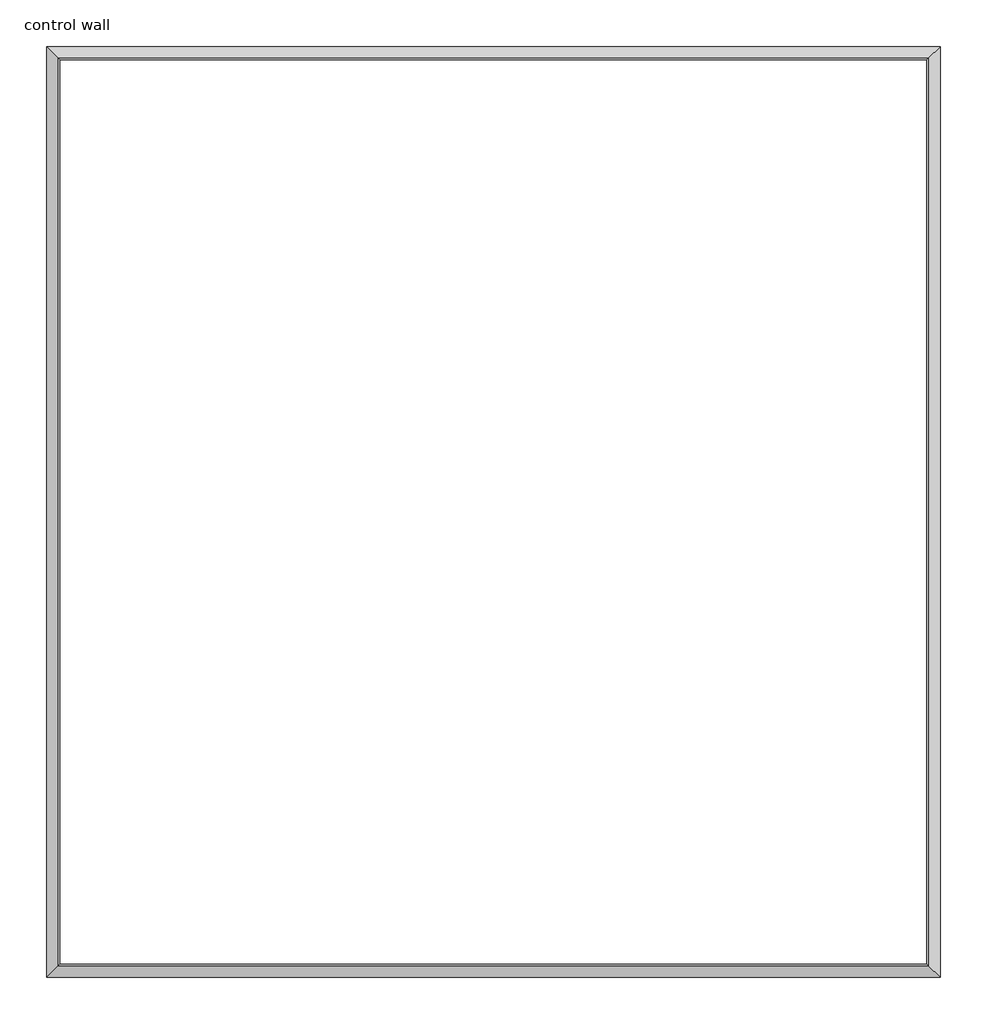
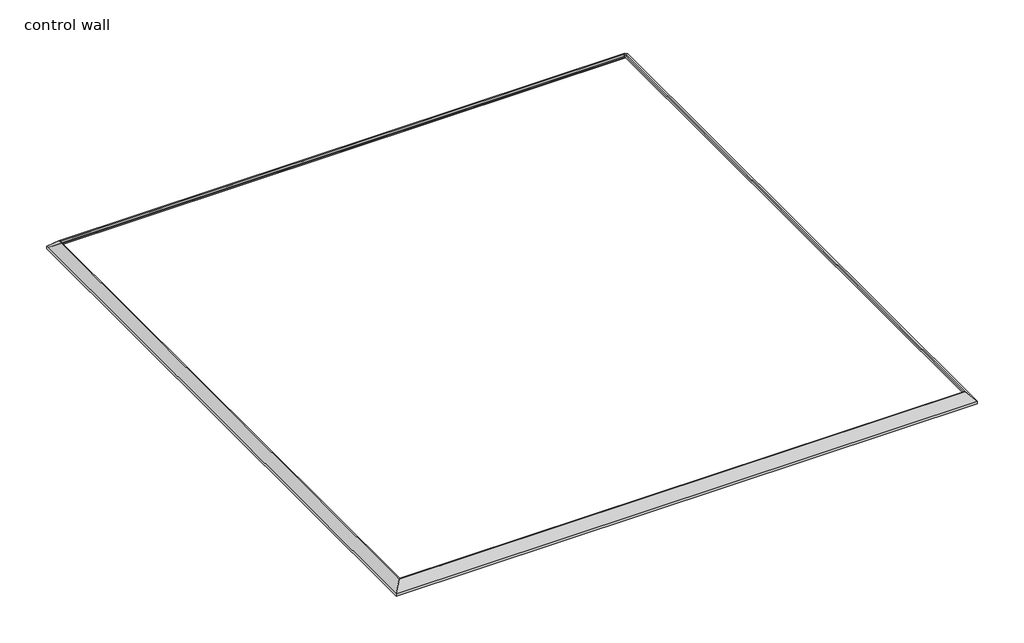
# One storey: 4 proxies.
"""IFC4 building model written with IfcOpenShell, lengths in millimetres."""

from ifc_helpers import new_model, si_unit, frame, origin, place, context, project, spatial, polyline, ellipse_curve, element, save
from ifc_brep_helpers import plane_surface, cylinder_surface, revolved_surface, advanced_brep

model = new_model("IFC4")

# Units and contexts
model_context = context("Model", 3, world=origin())
ifc_project = project(units=[si_unit("LENGTHUNIT", "METRE", prefix="MILLI")], contexts=[model_context])

# Site, building, storey
site = spatial("IfcSite", under=ifc_project)
building = spatial("IfcBuilding", under=site)
storey = spatial("IfcBuildingStorey", under=building, Name="control wall", Elevation=2133.6)

# Proxies
placement = place(None, origin())
element("IfcBuildingElementProxy", 1, Name="Wall Sweeps", at=placement, inside=storey, context=model_context, shape_type="AdvancedBrep", body=[
    advanced_brep(
    [(18334.9680587, -12422.2206911, 2982.9793892), (18334.9680587, -12422.2206911, 2959.1), (18343.9483148, -12431.2009472, 2959.1), (18343.9483148, -12431.2009472, 2968.0802561), (18357.418699, -12444.6713314, 2981.5506403), (18357.418699, -12444.6713314, 2987.9006403), (18377.9433788, -12465.1960113, 3008.4253202), (18398.4680587, -12485.7206911, 3028.95), (18408.0913675, -12495.3439999, 3028.95), (18408.0913675, -12495.3439999, 3048.0), (18399.9886695, -12487.241302, 3048.0), (23262.5680587, -12422.2206911, 2982.9793892), (23197.5474479, -12487.241302, 3048.0), (23189.4447499, -12495.3439999, 3048.0), (23189.4447499, -12495.3439999, 3028.95), (23199.0680587, -12485.7206911, 3028.95), (23219.5927385, -12465.1960113, 3008.4253202), (23240.1174184, -12444.6713314, 2987.9006403), (23240.1174184, -12444.6713314, 2981.5506403), (23253.5878026, -12431.2009472, 2968.0802561), (23253.5878026, -12431.2009472, 2959.1), (23262.5680587, -12422.2206911, 2959.1)],
    [
        (0, 1),
        (1, 2),
        (2, 3),
        (3, 4, ellipse_curve(frame((18357.418699, -12444.6713314, 2968.0802561), z_axis=(0.7071067811865476, 0.7071067811865476, 0.0), x_axis=(0.7071067811865474, -0.7071067811865476, 0.0)), 19.05, 13.4703842)),
        (4, 5),
        (5, 6, ellipse_curve(frame((18357.418699, -12444.6713314, 3008.4253202), z_axis=(-0.7071067811865476, -0.7071067811865476, 0.0), x_axis=(-0.7071067811865474, 0.7071067811865476, 0.0)), 29.0262806, 20.5246798)),
        (6, 7, ellipse_curve(frame((18398.4680587, -12485.7206911, 3008.4253202), z_axis=(0.7071067811865476, 0.7071067811865476, 0.0), x_axis=(0.7071067811865474, -0.7071067811865476, 0.0)), 29.0262806, 20.5246798)),
        (7, 8),
        (8, 9),
        (9, 10),
        (10, 0),
        (11, 12),
        (12, 13),
        (13, 14),
        (14, 15),
        (15, 16, ellipse_curve(frame((23199.0680587, -12485.7206911, 3008.4253202), z_axis=(-0.707106781186544, 0.7071067811865511, 0.0), x_axis=(0.7071067811865509, 0.7071067811865441, 0.0)), 29.0262806, 20.5246798)),
        (16, 17, ellipse_curve(frame((23240.1174184, -12444.6713314, 3008.4253202), z_axis=(0.707106781186544, -0.7071067811865511, 0.0), x_axis=(-0.7071067811865509, -0.7071067811865441, 0.0)), 29.0262806, 20.5246798)),
        (17, 18),
        (18, 19, ellipse_curve(frame((23240.1174184, -12444.6713314, 2968.0802561), z_axis=(-0.707106781186544, 0.7071067811865511, 0.0), x_axis=(0.7071067811865509, 0.7071067811865441, 0.0)), 19.05, 13.4703842)),
        (19, 20),
        (20, 21),
        (21, 11),
        (0, 11),
        (21, 1),
        (9, 13),
        (12, 10),
        (20, 2),
        (19, 3),
        (18, 4),
        (17, 5),
        (16, 6),
        (15, 7),
        (14, 8),
    ],
    [
        plane_surface(frame((18334.9680587, -12422.2206911, 3263.9), z_axis=(-0.7071067811865476, -0.7071067811865476, 0.0), x_axis=(0.7071067811865476, -0.7071067811865476, 0.0))),
        plane_surface(frame((23262.5680587, -12422.2206911, 3263.9), z_axis=(0.707106781186544, -0.7071067811865511, 0.0), x_axis=(-0.7071067811865511, -0.707106781186544, 0.0))),
        plane_surface(frame((18334.9680587, -12422.2206911, 2982.9793892), z_axis=(0.0, 1.0, 0.0), x_axis=(1.0, 0.0, 0.0))),
        plane_surface(frame((18408.0913675, -12495.3439999, 3048.0), z_axis=(0.0, 0.0, 1.0), x_axis=(1.0, 0.0, 0.0))),
        plane_surface(frame((18334.9680587, -12422.2206911, 2959.1), z_axis=(0.0, 0.0, -1.0), x_axis=(1.0, 0.0, 0.0))),
        plane_surface(frame((18343.9483148, -12431.2009472, 2959.1), z_axis=(0.0, -1.0, 0.0), x_axis=(1.0, 0.0, 0.0))),
        revolved_surface(polyline([(23253.5878026, -12458.1417156, 2968.0802561), (18343.9483148, -12458.1417156, 2968.0802561)]), (18334.9680587, -12444.6713314, 2968.0802561), (1.0, 0.0, 0.0)),
        plane_surface(frame((18357.418699, -12444.6713314, 2981.5506403), z_axis=(0.0, -1.0, 0.0), x_axis=(1.0, 0.0, 0.0))),
        cylinder_surface(frame((18334.9680587, -12444.6713314, 3008.4253202), z_axis=(-1.0, 0.0, 0.0), x_axis=(0.0, -1.0, 0.0)), 20.5246798),
        revolved_surface(polyline([(23219.59273854488, -12506.2453709, 3008.4253202), (18377.9433788, -12506.2453709, 3008.4253202)]), (18334.9680587, -12485.7206911, 3008.4253202), (1.0, 0.0, 0.0)),
        plane_surface(frame((18398.4680587, -12485.7206911, 3028.95), z_axis=(0.0, 0.0, -1.0), x_axis=(1.0, 0.0, 0.0))),
        plane_surface(frame((18408.0913675, -12495.3439999, 3028.95), z_axis=(0.0, -1.0, 0.0), x_axis=(1.0, 0.0, 0.0))),
        plane_surface(frame((18399.9886695, -12487.241302, 3048.0), z_axis=(0.0, 0.707106781186547, 0.707106781186548), x_axis=(1.0, 0.0, 0.0))),
    ],
    [
        (0, [[1, 2, 3, 4, 5, 6, 7, 8, 9, 10, 11]]),
        (1, [[12, 13, 14, 15, 16, 17, 18, 19, 20, 21, 22]]),
        (2, [[-1, 23, -22, 24]]),
        (3, [[-10, 25, -13, 26]]),
        (4, [[-2, -24, -21, 27]]),
        (5, [[-3, -27, -20, 28]]),
        (6, [[-4, -28, -19, 29]]),
        (7, [[-5, -29, -18, 30]]),
        (8, [[-6, -30, -17, 31]]),
        (9, [[-7, -31, -16, 32]]),
        (10, [[-8, -32, -15, 33]]),
        (11, [[-9, -33, -14, -25]]),
        (12, [[-11, -26, -12, -23]]),
    ],
),
])
element("IfcBuildingElementProxy", 2, Name="Wall Sweeps", at=placement, inside=storey, context=model_context, shape_type="AdvancedBrep", body=[
    advanced_brep(
    [(18334.9680587, -17553.0206911, 2982.9793892), (18334.9680587, -17553.0206911, 2959.1), (18343.9483148, -17544.040435, 2959.1), (18343.9483148, -17544.040435, 2968.0802561), (18357.418699, -17530.5700508, 2981.5506403), (18357.418699, -17530.5700508, 2987.9006403), (18377.9433788, -17510.045371, 3008.4253202), (18398.4680587, -17489.5206911, 3028.95), (18408.0913675, -17479.8973823, 3028.95), (18408.0913675, -17479.8973823, 3048.0), (18399.9886695, -17488.0000803, 3048.0), (18334.9680587, -12422.2206911, 2982.9793892), (18399.9886695, -12487.241302, 3048.0), (18408.0913675, -12495.3439999, 3048.0), (18408.0913675, -12495.3439999, 3028.95), (18398.4680587, -12485.7206911, 3028.95), (18377.9433788, -12465.1960113, 3008.4253202), (18357.418699, -12444.6713314, 2987.9006403), (18357.418699, -12444.6713314, 2981.5506403), (18343.9483148, -12431.2009472, 2968.0802561), (18343.9483148, -12431.2009472, 2959.1), (18334.9680587, -12422.2206911, 2959.1)],
    [
        (0, 1),
        (1, 2),
        (2, 3),
        (3, 4, ellipse_curve(frame((18357.418699, -17530.5700508, 2968.0802561), z_axis=(-0.7071067811865476, 0.7071067811865476, 0.0), x_axis=(0.7071067811865476, 0.7071067811865474, 0.0)), 19.05, 13.4703842)),
        (4, 5),
        (5, 6, ellipse_curve(frame((18357.418699, -17530.5700508, 3008.4253202), z_axis=(0.7071067811865476, -0.7071067811865476, 0.0), x_axis=(-0.7071067811865476, -0.7071067811865474, 0.0)), 29.0262806, 20.5246798)),
        (6, 7, ellipse_curve(frame((18398.4680587, -17489.5206911, 3008.4253202), z_axis=(-0.7071067811865476, 0.7071067811865476, 0.0), x_axis=(0.7071067811865476, 0.7071067811865474, 0.0)), 29.0262806, 20.5246798)),
        (7, 8),
        (8, 9),
        (9, 10),
        (10, 0),
        (11, 12),
        (12, 13),
        (13, 14),
        (14, 15),
        (15, 16, ellipse_curve(frame((18398.4680587, -12485.7206911, 3008.4253202), z_axis=(-0.7071067811865476, -0.7071067811865476, 0.0), x_axis=(-0.7071067811865476, 0.7071067811865474, 0.0)), 29.0262806, 20.5246798)),
        (16, 17, ellipse_curve(frame((18357.418699, -12444.6713314, 3008.4253202), z_axis=(0.7071067811865476, 0.7071067811865476, 0.0), x_axis=(0.7071067811865476, -0.7071067811865474, 0.0)), 29.0262806, 20.5246798)),
        (17, 18),
        (18, 19, ellipse_curve(frame((18357.418699, -12444.6713314, 2968.0802561), z_axis=(-0.7071067811865476, -0.7071067811865476, 0.0), x_axis=(-0.7071067811865476, 0.7071067811865474, 0.0)), 19.05, 13.4703842)),
        (19, 20),
        (20, 21),
        (21, 11),
        (0, 11),
        (21, 1),
        (9, 13),
        (12, 10),
        (20, 2),
        (19, 3),
        (18, 4),
        (17, 5),
        (16, 6),
        (15, 7),
        (14, 8),
    ],
    [
        plane_surface(frame((18334.9680587, -17553.0206911, 3263.9), z_axis=(0.7071067811865476, -0.7071067811865476, 0.0), x_axis=(0.7071067811865476, 0.7071067811865476, 0.0))),
        plane_surface(frame((18334.9680587, -12422.2206911, 3263.9), z_axis=(0.7071067811865476, 0.7071067811865476, 0.0), x_axis=(0.7071067811865476, -0.7071067811865476, 0.0))),
        plane_surface(frame((18334.9680587, -17553.0206911, 2982.9793892), z_axis=(-1.0, 0.0, 0.0), x_axis=(0.0, 1.0, 0.0))),
        plane_surface(frame((18408.0913675, -17479.8973823, 3048.0), z_axis=(0.0, 0.0, 1.0), x_axis=(0.0, 1.0, 0.0))),
        plane_surface(frame((18334.9680587, -17553.0206911, 2959.1), z_axis=(0.0, 0.0, -1.0), x_axis=(0.0, 1.0, 0.0))),
        plane_surface(frame((18343.9483148, -17544.040435, 2959.1), z_axis=(1.0, 0.0, 0.0), x_axis=(0.0, 1.0, 0.0))),
        revolved_surface(polyline([(18370.889083200003, -12431.2009472, 2968.0802561), (18370.889083200003, -17544.040435, 2968.0802561)]), (18357.418699, -17553.0206911, 2968.0802561), (0.0, 1.0, 0.0)),
        plane_surface(frame((18357.418699, -17530.5700508, 2981.5506403), z_axis=(1.0, 0.0, 0.0), x_axis=(0.0, 1.0, 0.0))),
        cylinder_surface(frame((18357.418699, -17553.0206911, 3008.4253202), z_axis=(0.0, -1.0, 0.0), x_axis=(1.0, 0.0, 0.0)), 20.5246798),
        revolved_surface(polyline([(18418.9927385, -12465.196011255117, 3008.4253202), (18418.9927385, -17510.045371, 3008.4253202)]), (18398.4680587, -17553.0206911, 3008.4253202), (0.0, 1.0, 0.0)),
        plane_surface(frame((18398.4680587, -17489.5206911, 3028.95), z_axis=(0.0, 0.0, -1.0), x_axis=(0.0, 1.0, 0.0))),
        plane_surface(frame((18408.0913675, -17479.8973823, 3028.95), z_axis=(1.0, 0.0, 0.0), x_axis=(0.0, 1.0, 0.0))),
        plane_surface(frame((18399.9886695, -17488.0000803, 3048.0), z_axis=(-0.707106781186547, 0.0, 0.707106781186548), x_axis=(0.0, 1.0, 0.0))),
    ],
    [
        (0, [[1, 2, 3, 4, 5, 6, 7, 8, 9, 10, 11]]),
        (1, [[12, 13, 14, 15, 16, 17, 18, 19, 20, 21, 22]]),
        (2, [[-1, 23, -22, 24]]),
        (3, [[-10, 25, -13, 26]]),
        (4, [[-2, -24, -21, 27]]),
        (5, [[-3, -27, -20, 28]]),
        (6, [[-4, -28, -19, 29]]),
        (7, [[-5, -29, -18, 30]]),
        (8, [[-6, -30, -17, 31]]),
        (9, [[-7, -31, -16, 32]]),
        (10, [[-8, -32, -15, 33]]),
        (11, [[-9, -33, -14, -25]]),
        (12, [[-11, -26, -12, -23]]),
    ],
),
])
element("IfcBuildingElementProxy", 3, Name="Wall Sweeps", at=placement, inside=storey, context=model_context, shape_type="AdvancedBrep", body=[
    advanced_brep(
    [(23262.5680587, -17553.0206911, 2982.9793892), (23262.5680587, -17553.0206911, 2959.1), (23253.5878026, -17544.040435, 2959.1), (23253.5878026, -17544.040435, 2968.0802561), (23240.1174184, -17530.5700508, 2981.5506403), (23240.1174184, -17530.5700508, 2987.9006403), (23219.5927385, -17510.045371, 3008.4253202), (23199.0680587, -17489.5206911, 3028.95), (23189.4447499, -17479.8973823, 3028.95), (23189.4447499, -17479.8973823, 3048.0), (23197.5474479, -17488.0000803, 3048.0), (18334.9680587, -17553.0206911, 2982.9793892), (18399.9886695, -17488.0000803, 3048.0), (18408.0913675, -17479.8973823, 3048.0), (18408.0913675, -17479.8973823, 3028.95), (18398.4680587, -17489.5206911, 3028.95), (18377.9433788, -17510.045371, 3008.4253202), (18357.418699, -17530.5700508, 2987.9006403), (18357.418699, -17530.5700508, 2981.5506403), (18343.9483148, -17544.040435, 2968.0802561), (18343.9483148, -17544.040435, 2959.1), (18334.9680587, -17553.0206911, 2959.1)],
    [
        (0, 1),
        (1, 2),
        (2, 3),
        (3, 4, ellipse_curve(frame((23240.1174184, -17530.5700508, 2968.0802561), z_axis=(-0.707106781186544, -0.7071067811865511, 0.0), x_axis=(-0.7071067811865509, 0.7071067811865441, 0.0)), 19.05, 13.4703842)),
        (4, 5),
        (5, 6, ellipse_curve(frame((23240.1174184, -17530.5700508, 3008.4253202), z_axis=(0.707106781186544, 0.7071067811865511, 0.0), x_axis=(0.7071067811865509, -0.7071067811865441, 0.0)), 29.0262806, 20.5246798)),
        (6, 7, ellipse_curve(frame((23199.0680587, -17489.5206911, 3008.4253202), z_axis=(-0.707106781186544, -0.7071067811865511, 0.0), x_axis=(-0.7071067811865509, 0.7071067811865441, 0.0)), 29.0262806, 20.5246798)),
        (7, 8),
        (8, 9),
        (9, 10),
        (10, 0),
        (11, 12),
        (12, 13),
        (13, 14),
        (14, 15),
        (15, 16, ellipse_curve(frame((18398.4680587, -17489.5206911, 3008.4253202), z_axis=(0.7071067811865476, -0.7071067811865476, 0.0), x_axis=(-0.7071067811865474, -0.7071067811865476, 0.0)), 29.0262806, 20.5246798)),
        (16, 17, ellipse_curve(frame((18357.418699, -17530.5700508, 3008.4253202), z_axis=(-0.7071067811865476, 0.7071067811865476, 0.0), x_axis=(0.7071067811865474, 0.7071067811865476, 0.0)), 29.0262806, 20.5246798)),
        (17, 18),
        (18, 19, ellipse_curve(frame((18357.418699, -17530.5700508, 2968.0802561), z_axis=(0.7071067811865476, -0.7071067811865476, 0.0), x_axis=(-0.7071067811865474, -0.7071067811865476, 0.0)), 19.05, 13.4703842)),
        (19, 20),
        (20, 21),
        (21, 11),
        (0, 11),
        (21, 1),
        (9, 13),
        (12, 10),
        (20, 2),
        (19, 3),
        (18, 4),
        (17, 5),
        (16, 6),
        (15, 7),
        (14, 8),
    ],
    [
        plane_surface(frame((23262.5680587, -17553.0206911, 3263.9), z_axis=(0.707106781186544, 0.7071067811865511, 0.0), x_axis=(-0.7071067811865511, 0.707106781186544, 0.0))),
        plane_surface(frame((18334.9680587, -17553.0206911, 3263.9), z_axis=(-0.7071067811865476, 0.7071067811865476, 0.0), x_axis=(0.7071067811865476, 0.7071067811865476, 0.0))),
        plane_surface(frame((23262.5680587, -17553.0206911, 2982.9793892), z_axis=(0.0, -1.0, 0.0), x_axis=(-1.0, 0.0, 0.0))),
        plane_surface(frame((23189.4447499, -17479.8973823, 3048.0), z_axis=(0.0, 0.0, 1.0), x_axis=(-1.0, 0.0, 0.0))),
        plane_surface(frame((23262.5680587, -17553.0206911, 2959.1), z_axis=(0.0, 0.0, -1.0), x_axis=(-1.0, 0.0, 0.0))),
        plane_surface(frame((23253.5878026, -17544.040435, 2959.1), z_axis=(0.0, 1.0, 0.0), x_axis=(-1.0, 0.0, 0.0))),
        revolved_surface(polyline([(18343.9483148, -17517.0996666, 2968.0802561), (23253.5878026, -17517.0996666, 2968.0802561)]), (23262.5680587, -17530.5700508, 2968.0802561), (-1.0, 0.0, 0.0)),
        plane_surface(frame((23240.1174184, -17530.5700508, 2981.5506403), z_axis=(0.0, 1.0, 0.0), x_axis=(-1.0, 0.0, 0.0))),
        cylinder_surface(frame((23262.5680587, -17530.5700508, 3008.4253202), z_axis=(1.0, 0.0, 0.0), x_axis=(0.0, 1.0, 0.0)), 20.5246798),
        revolved_surface(polyline([(18377.9433788, -17468.996011299998, 3008.4253202), (23219.59273854488, -17468.996011299998, 3008.4253202)]), (23262.5680587, -17489.5206911, 3008.4253202), (-1.0, 0.0, 0.0)),
        plane_surface(frame((23199.0680587, -17489.5206911, 3028.95), z_axis=(0.0, 0.0, -1.0), x_axis=(-1.0, 0.0, 0.0))),
        plane_surface(frame((23189.4447499, -17479.8973823, 3028.95), z_axis=(0.0, 1.0, 0.0), x_axis=(-1.0, 0.0, 0.0))),
        plane_surface(frame((23197.5474479, -17488.0000803, 3048.0), z_axis=(0.0, -0.707106781186547, 0.707106781186548), x_axis=(-1.0, 0.0, 0.0))),
    ],
    [
        (0, [[1, 2, 3, 4, 5, 6, 7, 8, 9, 10, 11]]),
        (1, [[12, 13, 14, 15, 16, 17, 18, 19, 20, 21, 22]]),
        (2, [[-1, 23, -22, 24]]),
        (3, [[-10, 25, -13, 26]]),
        (4, [[-2, -24, -21, 27]]),
        (5, [[-3, -27, -20, 28]]),
        (6, [[-4, -28, -19, 29]]),
        (7, [[-5, -29, -18, 30]]),
        (8, [[-6, -30, -17, 31]]),
        (9, [[-7, -31, -16, 32]]),
        (10, [[-8, -32, -15, 33]]),
        (11, [[-9, -33, -14, -25]]),
        (12, [[-11, -26, -12, -23]]),
    ],
),
])
element("IfcBuildingElementProxy", 4, Name="Wall Sweeps", at=placement, inside=storey, context=model_context, shape_type="AdvancedBrep", body=[
    advanced_brep(
    [(23262.5680587, -12422.2206911, 2982.9793892), (23262.5680587, -12422.2206911, 2959.1), (23253.5878026, -12431.2009472, 2959.1), (23253.5878026, -12431.2009472, 2968.0802561), (23240.1174184, -12444.6713314, 2981.5506403), (23240.1174184, -12444.6713314, 2987.9006403), (23219.5927385, -12465.1960113, 3008.4253202), (23199.0680587, -12485.7206911, 3028.95), (23189.4447499, -12495.3439999, 3028.95), (23189.4447499, -12495.3439999, 3048.0), (23197.5474479, -12487.241302, 3048.0), (23262.5680587, -17553.0206911, 2982.9793892), (23197.5474479, -17488.0000803, 3048.0), (23189.4447499, -17479.8973823, 3048.0), (23189.4447499, -17479.8973823, 3028.95), (23199.0680587, -17489.5206911, 3028.95), (23219.5927385, -17510.045371, 3008.4253202), (23240.1174184, -17530.5700508, 2987.9006403), (23240.1174184, -17530.5700508, 2981.5506403), (23253.5878026, -17544.040435, 2968.0802561), (23253.5878026, -17544.040435, 2959.1), (23262.5680587, -17553.0206911, 2959.1)],
    [
        (0, 1),
        (1, 2),
        (2, 3),
        (3, 4, ellipse_curve(frame((23240.1174184, -12444.6713314, 2968.0802561), z_axis=(0.707106781186544, -0.7071067811865511, 0.0), x_axis=(-0.7071067811865511, -0.7071067811865438, 0.0)), 19.05, 13.4703842)),
        (4, 5),
        (5, 6, ellipse_curve(frame((23240.1174184, -12444.6713314, 3008.4253202), z_axis=(-0.707106781186544, 0.7071067811865511, 0.0), x_axis=(0.7071067811865511, 0.7071067811865438, 0.0)), 29.0262806, 20.5246798)),
        (6, 7, ellipse_curve(frame((23199.0680587, -12485.7206911, 3008.4253202), z_axis=(0.707106781186544, -0.7071067811865511, 0.0), x_axis=(-0.7071067811865511, -0.7071067811865438, 0.0)), 29.0262806, 20.5246798)),
        (7, 8),
        (8, 9),
        (9, 10),
        (10, 0),
        (11, 12),
        (12, 13),
        (13, 14),
        (14, 15),
        (15, 16, ellipse_curve(frame((23199.0680587, -17489.5206911, 3008.4253202), z_axis=(0.707106781186544, 0.7071067811865511, 0.0), x_axis=(0.7071067811865511, -0.7071067811865438, 0.0)), 29.0262806, 20.5246798)),
        (16, 17, ellipse_curve(frame((23240.1174184, -17530.5700508, 3008.4253202), z_axis=(-0.707106781186544, -0.7071067811865511, 0.0), x_axis=(-0.7071067811865511, 0.7071067811865438, 0.0)), 29.0262806, 20.5246798)),
        (17, 18),
        (18, 19, ellipse_curve(frame((23240.1174184, -17530.5700508, 2968.0802561), z_axis=(0.707106781186544, 0.7071067811865511, 0.0), x_axis=(0.7071067811865511, -0.7071067811865438, 0.0)), 19.05, 13.4703842)),
        (19, 20),
        (20, 21),
        (21, 11),
        (0, 11),
        (21, 1),
        (9, 13),
        (12, 10),
        (20, 2),
        (19, 3),
        (18, 4),
        (17, 5),
        (16, 6),
        (15, 7),
        (14, 8),
    ],
    [
        plane_surface(frame((23262.5680587, -12422.2206911, 3263.9), z_axis=(-0.707106781186544, 0.7071067811865511, 0.0), x_axis=(-0.7071067811865511, -0.707106781186544, 0.0))),
        plane_surface(frame((23262.5680587, -17553.0206911, 3263.9), z_axis=(-0.707106781186544, -0.7071067811865511, 0.0), x_axis=(-0.7071067811865511, 0.707106781186544, 0.0))),
        plane_surface(frame((23262.5680587, -12422.2206911, 2982.9793892), z_axis=(1.0, 0.0, 0.0), x_axis=(0.0, -1.0, 0.0))),
        plane_surface(frame((23189.4447499, -12495.3439999, 3048.0), z_axis=(0.0, 0.0, 1.0), x_axis=(0.0, -1.0, 0.0))),
        plane_surface(frame((23262.5680587, -12422.2206911, 2959.1), z_axis=(0.0, 0.0, -1.0), x_axis=(0.0, -1.0, 0.0))),
        plane_surface(frame((23253.5878026, -12431.2009472, 2959.1), z_axis=(-1.0, 0.0, 0.0), x_axis=(0.0, -1.0, 0.0))),
        revolved_surface(polyline([(23226.6470342, -17544.040435, 2968.0802561), (23226.6470342, -12431.2009472, 2968.0802561)]), (23240.1174184, -12422.2206911, 2968.0802561), (0.0, -1.0, 0.0)),
        plane_surface(frame((23240.1174184, -12444.6713314, 2981.5506403), z_axis=(-1.0, 0.0, 0.0), x_axis=(0.0, -1.0, 0.0))),
        cylinder_surface(frame((23240.1174184, -12422.2206911, 3008.4253202), z_axis=(0.0, 1.0, 0.0), x_axis=(-1.0, 0.0, 0.0)), 20.5246798),
        revolved_surface(polyline([(23178.543378899998, -17510.045371, 3008.4253202), (23178.543378899998, -12465.196011255115, 3008.4253202)]), (23199.0680587, -12422.2206911, 3008.4253202), (0.0, -1.0, 0.0)),
        plane_surface(frame((23199.0680587, -12485.7206911, 3028.95), z_axis=(0.0, 0.0, -1.0), x_axis=(0.0, -1.0, 0.0))),
        plane_surface(frame((23189.4447499, -12495.3439999, 3028.95), z_axis=(-1.0, 0.0, 0.0), x_axis=(0.0, -1.0, 0.0))),
        plane_surface(frame((23197.5474479, -12487.241302, 3048.0), z_axis=(0.707106781186547, 0.0, 0.707106781186548), x_axis=(0.0, -1.0, 0.0))),
    ],
    [
        (0, [[1, 2, 3, 4, 5, 6, 7, 8, 9, 10, 11]]),
        (1, [[12, 13, 14, 15, 16, 17, 18, 19, 20, 21, 22]]),
        (2, [[-1, 23, -22, 24]]),
        (3, [[-10, 25, -13, 26]]),
        (4, [[-2, -24, -21, 27]]),
        (5, [[-3, -27, -20, 28]]),
        (6, [[-4, -28, -19, 29]]),
        (7, [[-5, -29, -18, 30]]),
        (8, [[-6, -30, -17, 31]]),
        (9, [[-7, -31, -16, 32]]),
        (10, [[-8, -32, -15, 33]]),
        (11, [[-9, -33, -14, -25]]),
        (12, [[-11, -26, -12, -23]]),
    ],
),
])

save(model, "model.ifc")
